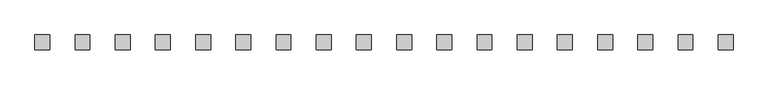
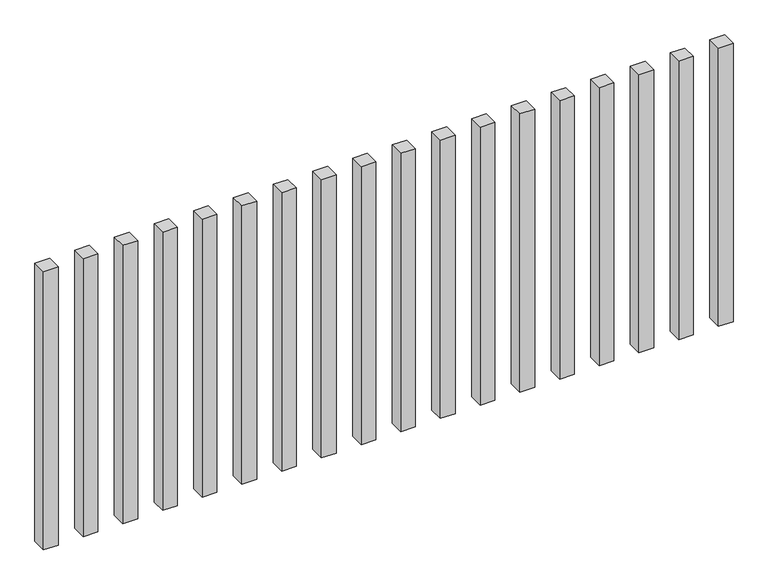
"""IFC4 building model written with IfcOpenShell, lengths in millimetres: railing geometry."""

from ifc_helpers import new_model, si_unit, origin, origin_with_axes, place, context, project, spatial, polyline, outline, extrude, source, transform, mapped, element, save


def railing_4db036ab(model_context):
    return source(origin(), model_context, "Body", "SweptSolid", [
        extrude(outline(polyline([(-15507.5700772, -99454.0267127), (-15507.5700772, -99404.0267127), (-15457.5700772, -99404.0267127), (-15457.5700772, -99454.0267127), (-15507.5700772, -99454.0267127)])), origin_with_axes(), (0.0, 0.0, 1.0), 1000.0),
        extrude(outline(polyline([(-15642.5700772, -99454.0267127), (-15642.5700772, -99404.0267127), (-15592.5700772, -99404.0267127), (-15592.5700772, -99454.0267127), (-15642.5700772, -99454.0267127)])), origin_with_axes(), (0.0, 0.0, 1.0), 1000.0),
        extrude(outline(polyline([(-15777.5700772, -99454.0267127), (-15777.5700772, -99404.0267127), (-15727.5700772, -99404.0267127), (-15727.5700772, -99454.0267127), (-15777.5700772, -99454.0267127)])), origin_with_axes(), (0.0, 0.0, 1.0), 1000.0),
        extrude(outline(polyline([(-15912.5700772, -99454.0267127), (-15912.5700772, -99404.0267127), (-15862.5700772, -99404.0267127), (-15862.5700772, -99454.0267127), (-15912.5700772, -99454.0267127)])), origin_with_axes(), (0.0, 0.0, 1.0), 1000.0),
        extrude(outline(polyline([(-16047.5700772, -99454.0267127), (-16047.5700772, -99404.0267127), (-15997.5700772, -99404.0267127), (-15997.5700772, -99454.0267127), (-16047.5700772, -99454.0267127)])), origin_with_axes(), (0.0, 0.0, 1.0), 1000.0),
        extrude(outline(polyline([(-16182.5700772, -99454.0267127), (-16182.5700772, -99404.0267127), (-16132.5700772, -99404.0267127), (-16132.5700772, -99454.0267127), (-16182.5700772, -99454.0267127)])), origin_with_axes(), (0.0, 0.0, 1.0), 1000.0),
        extrude(outline(polyline([(-16317.5700772, -99454.0267127), (-16317.5700772, -99404.0267127), (-16267.5700772, -99404.0267127), (-16267.5700772, -99454.0267127), (-16317.5700772, -99454.0267127)])), origin_with_axes(), (0.0, 0.0, 1.0), 1000.0),
        extrude(outline(polyline([(-16452.5700772, -99454.0267127), (-16452.5700772, -99404.0267127), (-16402.5700772, -99404.0267127), (-16402.5700772, -99454.0267127), (-16452.5700772, -99454.0267127)])), origin_with_axes(), (0.0, 0.0, 1.0), 1000.0),
        extrude(outline(polyline([(-16587.5700772, -99454.0267127), (-16587.5700772, -99404.0267127), (-16537.5700772, -99404.0267127), (-16537.5700772, -99454.0267127), (-16587.5700772, -99454.0267127)])), origin_with_axes(), (0.0, 0.0, 1.0), 1000.0),
        extrude(outline(polyline([(-16722.5700772, -99454.0267127), (-16722.5700772, -99404.0267127), (-16672.5700772, -99404.0267127), (-16672.5700772, -99454.0267127), (-16722.5700772, -99454.0267127)])), origin_with_axes(), (0.0, 0.0, 1.0), 1000.0),
        extrude(outline(polyline([(-16857.5700772, -99454.0267127), (-16857.5700772, -99404.0267127), (-16807.5700772, -99404.0267127), (-16807.5700772, -99454.0267127), (-16857.5700772, -99454.0267127)])), origin_with_axes(), (0.0, 0.0, 1.0), 1000.0),
        extrude(outline(polyline([(-16992.5700772, -99454.0267127), (-16992.5700772, -99404.0267127), (-16942.5700772, -99404.0267127), (-16942.5700772, -99454.0267127), (-16992.5700772, -99454.0267127)])), origin_with_axes(), (0.0, 0.0, 1.0), 1000.0),
        extrude(outline(polyline([(-17127.5700772, -99454.0267127), (-17127.5700772, -99404.0267127), (-17077.5700772, -99404.0267127), (-17077.5700772, -99454.0267127), (-17127.5700772, -99454.0267127)])), origin_with_axes(), (0.0, 0.0, 1.0), 1000.0),
        extrude(outline(polyline([(-17262.5700772, -99454.0267127), (-17262.5700772, -99404.0267127), (-17212.5700772, -99404.0267127), (-17212.5700772, -99454.0267127), (-17262.5700772, -99454.0267127)])), origin_with_axes(), (0.0, 0.0, 1.0), 1000.0),
        extrude(outline(polyline([(-17397.5700772, -99454.0267127), (-17397.5700772, -99404.0267127), (-17347.5700772, -99404.0267127), (-17347.5700772, -99454.0267127), (-17397.5700772, -99454.0267127)])), origin_with_axes(), (0.0, 0.0, 1.0), 1000.0),
        extrude(outline(polyline([(-17532.5700772, -99454.0267127), (-17532.5700772, -99404.0267127), (-17482.5700772, -99404.0267127), (-17482.5700772, -99454.0267127), (-17532.5700772, -99454.0267127)])), origin_with_axes(), (0.0, 0.0, 1.0), 1000.0),
        extrude(outline(polyline([(-17667.5700772, -99454.0267127), (-17667.5700772, -99404.0267127), (-17617.5700772, -99404.0267127), (-17617.5700772, -99454.0267127), (-17667.5700772, -99454.0267127)])), origin_with_axes(), (0.0, 0.0, 1.0), 1000.0),
        extrude(outline(polyline([(-17802.5700772, -99454.0267127), (-17802.5700772, -99404.0267127), (-17752.5700772, -99404.0267127), (-17752.5700772, -99454.0267127), (-17802.5700772, -99454.0267127)])), origin_with_axes(), (0.0, 0.0, 1.0), 1000.0),
    ])


if __name__ == "__main__":
    model = new_model("IFC4")
    model_context = context("Model", 3, world=origin())
    ifc_project = project(units=[si_unit("LENGTHUNIT", "METRE", prefix="MILLI")], contexts=[model_context])
    site = spatial("IfcSite", under=ifc_project)
    building = spatial("IfcBuilding", under=site)
    placement = place(None, origin())
    railing_shape = railing_4db036ab(model_context)
    element("IfcRailing", 1, at=placement, inside=building, context=model_context, shape_type="MappedRepresentation", body=[
        mapped(railing_shape, transform((0.0, 0.0, 0.0), x_axis=(1.0, 0.0, 0.0), y_axis=(0.0, 1.0, 0.0), z_axis=(0.0, 0.0, 1.0))),
    ])
    save(model, "model.ifc")
